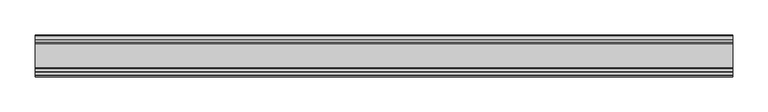
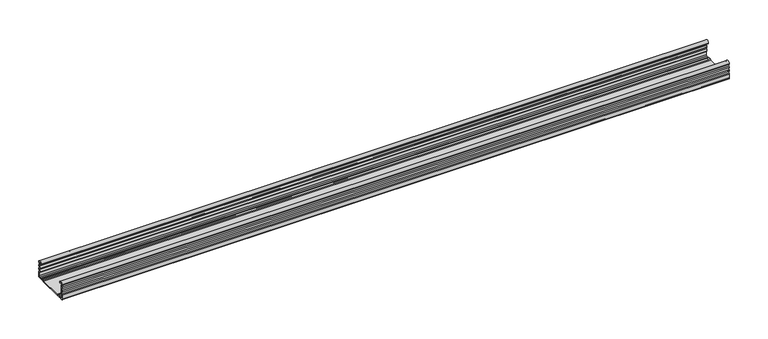
"""IFC4 building model written with IfcOpenShell, lengths in millimetres: proxy geometry."""

from ifc_helpers import new_model, si_unit, point, frame, frame_2d, origin, place, context, project, spatial, polyline, circle_curve, trimmed, segment, composite_curve, outline, extrude, source, transform, mapped, element, save


def generic_models_3a3c2b90(model_context):
    return source(origin(), model_context, "Body", "SweptSolid", [
        extrude(outline(composite_curve([segment(trimmed(circle_curve(frame_2d((-28.2, 23.9406511)), 1.8), [point((-29.424, 22.6208693))], [point((-29.9990651, 23.8826448))], False, "CARTESIAN"), True, "CONTINUOUS"), segment(trimmed(circle_curve(frame_2d((-26.8817099, 23.8826448)), 3.1173552), [point((-29.9990651, 23.8826448))], [point((-23.7643548, 23.8826448))], False, "CARTESIAN"), True, "CONTINUOUS"), segment(polyline([(-23.7643548, 23.8826448), (-23.7643548, 23.0407729), (-24.9643548, 23.0407729), (-24.9643548, 23.8826448)]), True, "CONTINUOUS"), segment(trimmed(circle_curve(frame_2d((-26.8817099, 23.8826448)), 1.9173552), [point((-24.9643548, 23.8826448))], [point((-28.7514388, 24.3073386))], True, "CARTESIAN"), True, "CONTINUOUS"), segment(trimmed(circle_curve(frame_2d((-27.7762784, 24.0858388)), 1.0), [point((-28.7514388, 24.3073386))], [point((-28.4928378, 23.3883128))], True, "CARTESIAN"), True, "CONTINUOUS"), segment(trimmed(circle_curve(frame_2d((-30.75, 21.1911057)), 3.15), [point((-28.4928378, 23.3883128))], [point((-28.3578316, 19.1417081))], False, "CARTESIAN"), True, "CONTINUOUS"), segment(trimmed(circle_curve(frame_2d((-27.5984131, 18.4911057)), 1.0), [point((-28.3578316, 19.1417081))], [point((-28.3578316, 17.8405033))], True, "CARTESIAN"), True, "CONTINUOUS"), segment(trimmed(circle_curve(frame_2d((-30.75, 15.7911057)), 3.15), [point((-28.3578316, 17.8405033))], [point((-28.3578316, 13.7417081))], False, "CARTESIAN"), True, "CONTINUOUS"), segment(trimmed(circle_curve(frame_2d((-27.5984131, 13.0911057)), 1.0), [point((-28.3578316, 13.7417081))], [point((-28.3578316, 12.4405033))], True, "CARTESIAN"), True, "CONTINUOUS"), segment(trimmed(circle_curve(frame_2d((-30.75, 10.3911057)), 3.15), [point((-28.3578316, 12.4405033))], [point((-28.3339806, 8.3698808))], False, "CARTESIAN"), True, "CONTINUOUS"), segment(trimmed(circle_curve(frame_2d((-26.8, 7.0865634)), 2.0), [point((-28.3339806, 8.3698808))], [point((-28.8, 7.0865634))], True, "CARTESIAN"), True, "CONTINUOUS"), segment(polyline([(-28.8, 7.0865634), (-28.8, 2.3817804)]), True, "CONTINUOUS"), segment(trimmed(circle_curve(frame_2d((-27.6182196, 2.3817804)), 1.1817804), [point((-28.8, 2.3817804))], [point((-27.6182196, 1.2))], True, "CARTESIAN"), True, "CONTINUOUS"), segment(polyline([(-27.6182196, 1.2), (-24.382064, 1.2)]), True, "CONTINUOUS"), segment(trimmed(circle_curve(frame_2d((-24.382064, 4.2)), 3.0), [point((-24.382064, 1.2))], [point((-22.6017433, 1.7853659))], True, "CARTESIAN"), True, "CONTINUOUS"), segment(trimmed(circle_curve(frame_2d((-20.7324065, -0.75)), 3.15), [point((-22.6017433, 1.7853659))], [point((-18.8630697, 1.7853659))], False, "CARTESIAN"), True, "CONTINUOUS"), segment(trimmed(circle_curve(frame_2d((-17.082749, 4.2)), 3.0), [point((-18.8630697, 1.7853659))], [point((-17.082749, 1.2))], True, "CARTESIAN"), True, "CONTINUOUS"), segment(polyline([(-17.082749, 1.2), (17.082749, 1.2)]), True, "CONTINUOUS"), segment(trimmed(circle_curve(frame_2d((17.082749, 4.2)), 3.0), [point((17.082749, 1.2))], [point((18.8630697, 1.7853659))], True, "CARTESIAN"), True, "CONTINUOUS"), segment(trimmed(circle_curve(frame_2d((20.7324065, -0.75)), 3.15), [point((18.8630697, 1.7853659))], [point((22.6017433, 1.7853659))], False, "CARTESIAN"), True, "CONTINUOUS"), segment(trimmed(circle_curve(frame_2d((24.382064, 4.2)), 3.0), [point((22.6017433, 1.7853659))], [point((24.382064, 1.2))], True, "CARTESIAN"), True, "CONTINUOUS"), segment(polyline([(24.382064, 1.2), (27.6, 1.2)]), True, "CONTINUOUS"), segment(trimmed(circle_curve(frame_2d((27.6, 2.4)), 1.2), [point((27.6, 1.2))], [point((28.8, 2.4))], True, "CARTESIAN"), True, "CONTINUOUS"), segment(polyline([(28.8, 2.4), (28.8, 7.0865634)]), True, "CONTINUOUS"), segment(trimmed(circle_curve(frame_2d((26.8, 7.0865634)), 2.0), [point((28.8, 7.0865634))], [point((28.3339806, 8.3698808))], True, "CARTESIAN"), True, "CONTINUOUS"), segment(trimmed(circle_curve(frame_2d((30.75, 10.3911057)), 3.15), [point((28.3339806, 8.3698808))], [point((28.3578316, 12.4405033))], False, "CARTESIAN"), True, "CONTINUOUS"), segment(trimmed(circle_curve(frame_2d((27.5984131, 13.0911057)), 1.0), [point((28.3578316, 12.4405033))], [point((28.3578316, 13.7417081))], True, "CARTESIAN"), True, "CONTINUOUS"), segment(trimmed(circle_curve(frame_2d((30.75, 15.7911057)), 3.15), [point((28.3578316, 13.7417081))], [point((28.3578316, 17.8405033))], False, "CARTESIAN"), True, "CONTINUOUS"), segment(trimmed(circle_curve(frame_2d((27.5984131, 18.4911057)), 1.0), [point((28.3578316, 17.8405033))], [point((28.3578316, 19.1417081))], True, "CARTESIAN"), True, "CONTINUOUS"), segment(trimmed(circle_curve(frame_2d((30.75, 21.1911057)), 3.15), [point((28.3578316, 19.1417081))], [point((28.4928378, 23.3883128))], False, "CARTESIAN"), True, "CONTINUOUS"), segment(trimmed(circle_curve(frame_2d((27.7762784, 24.0858388)), 1.0), [point((28.4928378, 23.3883128))], [point((28.7514388, 24.3073386))], True, "CARTESIAN"), True, "CONTINUOUS"), segment(trimmed(circle_curve(frame_2d((26.8817099, 23.8826448)), 1.9173552), [point((28.7514388, 24.3073386))], [point((24.9643548, 23.8826448))], True, "CARTESIAN"), True, "CONTINUOUS"), segment(polyline([(24.9643548, 23.8826448), (24.9643548, 23.0407729), (23.7643548, 23.0407729), (23.7643548, 23.8826448)]), True, "CONTINUOUS"), segment(trimmed(circle_curve(frame_2d((26.8817099, 23.8826448)), 3.1173552), [point((23.7643548, 23.8826448))], [point((29.9990651, 23.8826448))], False, "CARTESIAN"), True, "CONTINUOUS"), segment(trimmed(circle_curve(frame_2d((28.2, 23.9406511)), 1.8), [point((29.9990651, 23.8826448))], [point((29.424, 22.6208693))], False, "CARTESIAN"), True, "CONTINUOUS"), segment(trimmed(circle_curve(frame_2d((30.75, 21.1911057)), 1.95), [point((29.424, 22.6208693))], [point((29.424, 19.7613421))], True, "CARTESIAN"), True, "CONTINUOUS"), segment(trimmed(circle_curve(frame_2d((28.2, 18.4415603)), 1.8), [point((29.424, 19.7613421))], [point((29.6853338, 17.4248088))], False, "CARTESIAN"), True, "CONTINUOUS"), segment(trimmed(circle_curve(frame_2d((30.75, 15.7911057)), 1.95), [point((29.6853338, 17.4248088))], [point((29.6853338, 14.1574026))], True, "CARTESIAN"), True, "CONTINUOUS"), segment(trimmed(circle_curve(frame_2d((28.2, 13.1406511)), 1.8), [point((29.6853338, 14.1574026))], [point((29.424, 11.8208693))], False, "CARTESIAN"), True, "CONTINUOUS"), segment(trimmed(circle_curve(frame_2d((30.75, 10.3911057)), 1.95), [point((29.424, 11.8208693))], [point((29.424, 8.9613421))], True, "CARTESIAN"), True, "CONTINUOUS"), segment(trimmed(circle_curve(frame_2d((28.2, 7.6415603)), 1.8), [point((29.424, 8.9613421))], [point((30.0, 7.6415603))], False, "CARTESIAN"), True, "CONTINUOUS"), segment(polyline([(30.0, 7.6415603), (30.0, 1.2)]), True, "CONTINUOUS"), segment(trimmed(circle_curve(frame_2d((28.8, 1.2)), 1.2), [point((30.0, 1.2))], [point((28.8, 0.0))], False, "CARTESIAN"), True, "CONTINUOUS"), segment(polyline([(28.8, 0.0), (23.4819519, 0.0)]), True, "CONTINUOUS"), segment(trimmed(circle_curve(frame_2d((23.4819519, 1.8)), 1.8), [point((23.4819519, 0.0))], [point((22.1621701, 0.576))], False, "CARTESIAN"), True, "CONTINUOUS"), segment(trimmed(circle_curve(frame_2d((20.7324065, -0.75)), 1.95), [point((22.1621701, 0.576))], [point((19.3026429, 0.576))], True, "CARTESIAN"), True, "CONTINUOUS"), segment(trimmed(circle_curve(frame_2d((17.9828611, 1.8)), 1.8), [point((19.3026429, 0.576))], [point((17.9828611, 0.0))], False, "CARTESIAN"), True, "CONTINUOUS"), segment(polyline([(17.9828611, 0.0), (-17.9828611, 0.0)]), True, "CONTINUOUS"), segment(trimmed(circle_curve(frame_2d((-17.9828611, 1.8)), 1.8), [point((-17.9828611, 0.0))], [point((-19.3026429, 0.576))], False, "CARTESIAN"), True, "CONTINUOUS"), segment(trimmed(circle_curve(frame_2d((-20.7324065, -0.75)), 1.95), [point((-19.3026429, 0.576))], [point((-22.1621701, 0.576))], True, "CARTESIAN"), True, "CONTINUOUS"), segment(trimmed(circle_curve(frame_2d((-23.4819519, 1.8)), 1.8), [point((-22.1621701, 0.576))], [point((-23.4819519, 0.0))], False, "CARTESIAN"), True, "CONTINUOUS"), segment(polyline([(-23.4819519, 0.0), (-28.8, 0.0)]), True, "CONTINUOUS"), segment(trimmed(circle_curve(frame_2d((-28.8, 1.2)), 1.2), [point((-28.8, 0.0))], [point((-30.0, 1.2))], False, "CARTESIAN"), True, "CONTINUOUS"), segment(polyline([(-30.0, 1.2), (-30.0, 7.6415603)]), True, "CONTINUOUS"), segment(trimmed(circle_curve(frame_2d((-28.2, 7.6415603)), 1.8), [point((-30.0, 7.6415603))], [point((-29.424, 8.9613421))], False, "CARTESIAN"), True, "CONTINUOUS"), segment(trimmed(circle_curve(frame_2d((-30.75, 10.3911057)), 1.95), [point((-29.424, 8.9613421))], [point((-29.424, 11.8208693))], True, "CARTESIAN"), True, "CONTINUOUS"), segment(trimmed(circle_curve(frame_2d((-28.2, 13.1406511)), 1.8), [point((-29.424, 11.8208693))], [point((-29.6853338, 14.1574026))], False, "CARTESIAN"), True, "CONTINUOUS"), segment(trimmed(circle_curve(frame_2d((-30.75, 15.7911057)), 1.95), [point((-29.6853338, 14.1574026))], [point((-29.6853338, 17.4248088))], True, "CARTESIAN"), True, "CONTINUOUS"), segment(trimmed(circle_curve(frame_2d((-28.2, 18.4415603)), 1.8), [point((-29.6853338, 17.4248088))], [point((-29.424, 19.7613421))], False, "CARTESIAN"), True, "CONTINUOUS"), segment(trimmed(circle_curve(frame_2d((-30.75, 21.1911057)), 1.95), [point((-29.424, 19.7613421))], [point((-29.424, 22.6208693))], True, "CARTESIAN"), True, "CONTINUOUS")], self_intersect=False)), frame((-496.4018377, 0.0, 0.0), z_axis=(1.0, 0.0, 0.0), x_axis=(0.0, 1.0, 0.0)), (0.0, 0.0, 1.0), 992.8036753),
    ])


if __name__ == "__main__":
    model = new_model("IFC4")
    model_context = context("Model", 3, world=origin())
    ifc_project = project(units=[si_unit("LENGTHUNIT", "METRE", prefix="MILLI")], contexts=[model_context])
    site = spatial("IfcSite", under=ifc_project)
    building = spatial("IfcBuilding", under=site)
    placement = place(None, origin())
    generic_models_shape = generic_models_3a3c2b90(model_context)
    element("IfcBuildingElementProxy", 1, Name="Generic Models", at=placement, inside=building, context=model_context, shape_type="MappedRepresentation", body=[
        mapped(generic_models_shape, transform((0.0, 0.0, 0.0), x_axis=(1.0, 0.0, 0.0), y_axis=(0.0, 1.0, 0.0), z_axis=(0.0, 0.0, 1.0))),
    ])
    save(model, "model.ifc")
